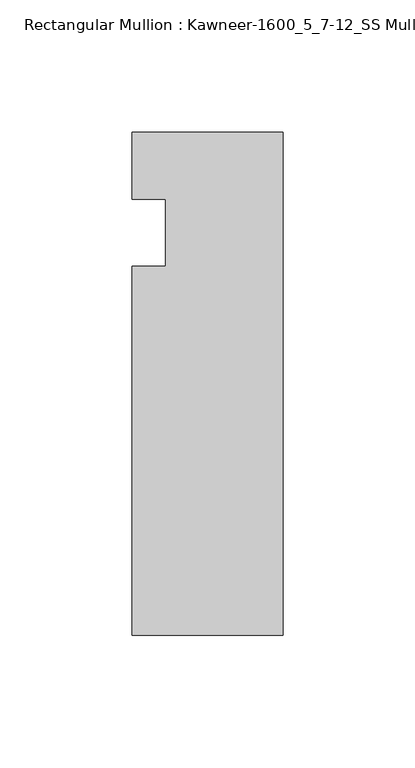
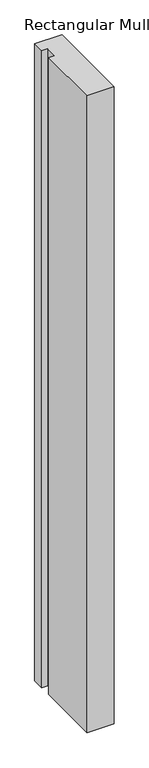
"""IFC4 building model written with IfcOpenShell, lengths in millimetres: member geometry, Rectangular Mullion : Kawneer-1600_5_7-12_SS Mullion_Head."""

import ifcopenshell
import ifcopenshell.guid

model = None  # the IFC model being written
_history = None  # IfcOwnerHistory: only IFC2X3 demands one
_inside = {}  # id of a spatial element -> (the spatial element, [elements in it])
_under = {}  # id of a project, library or spatial element -> (it, [spatial elements below it])
_declared = {}  # id of a project -> (the project, [libraries it declares])
_typed = {}  # id of a type object -> (the type object, [elements of that type])
_made_of = {}  # id of a material, layer set ... -> (it, [elements and type objects made of it])


def new_model(schema):
    """Start an empty IFC model of exactly this schema.

    Asked for "IFC4X3", IfcOpenShell would pick the latest addendum, in which some entities
    have other attributes; the version numbers below select the first issue.
    IFC2X3 requires an IfcOwnerHistory on every rooted entity: one is made here for all.
    """
    global model, _history
    if schema == "IFC4X3":
        model = ifcopenshell.file(schema_version=(4, 3, 0, 0))
    else:
        model = ifcopenshell.file(schema=schema)
    _inside.clear()
    _under.clear()
    _declared.clear()
    _typed.clear()
    _made_of.clear()
    _history = None
    if model.schema == "IFC2X3":
        org = make("IfcOrganization", Name="unknown")
        user = make(
            "IfcPersonAndOrganization",
            ThePerson=make("IfcPerson", FamilyName="unknown"),
            TheOrganization=org,
        )
        app = make(
            "IfcApplication",
            ApplicationDeveloper=org,
            Version="unknown",
            ApplicationFullName="unknown",
            ApplicationIdentifier="unknown",
        )
        _history = make(
            "IfcOwnerHistory",
            OwningUser=user,
            OwningApplication=app,
            ChangeAction="ADDED",
            CreationDate=0,
        )
    return model


def make(cls, **values):
    """One entity of the class cls with the attributes given. An attribute that is None is left unset."""
    return model.create_entity(
        cls, **{name: value for name, value in values.items() if value is not None}
    )


def rooted(cls, **values):
    """An entity with a GlobalId (a new one), such as an element, a storey or a relation."""
    return make(cls, GlobalId=ifcopenshell.guid.new(), OwnerHistory=_history, **values)


def si_unit(unit_type, name, prefix=None):
    """IfcSIUnit, for example si_unit("LENGTHUNIT", "METRE", prefix="MILLI")."""
    return make("IfcSIUnit", UnitType=unit_type, Prefix=prefix, Name=name)


def assignment(units):
    """IfcUnitAssignment: the units of a project."""
    return None if units is None else make("IfcUnitAssignment", Units=units)


def point(xyz):
    """IfcCartesianPoint."""
    return None if xyz is None else make("IfcCartesianPoint", Coordinates=xyz)


def direction(xyz):
    """IfcDirection."""
    return None if xyz is None else make("IfcDirection", DirectionRatios=xyz)


def frame(location, z_axis=None, x_axis=None):
    """IfcAxis2Placement3D, a coordinate frame: its origin and axes. An axis left out is left unset."""
    return make(
        "IfcAxis2Placement3D",
        Location=point(location),
        Axis=direction(z_axis),
        RefDirection=direction(x_axis),
    )


def origin():
    """The frame at (0, 0, 0) with its axes left unset."""
    return frame((0.0, 0.0, 0.0))


def place(relative_to, where):
    """IfcLocalPlacement: puts the frame where relative to a parent placement (None: the world)."""
    return make(
        "IfcLocalPlacement", PlacementRelTo=relative_to, RelativePlacement=where
    )


def context(
    kind, dimensions, precision=None, world=None, true_north=None, identifier=None
):
    """IfcGeometricRepresentationContext, for example the 3D "Model" context."""
    return make(
        "IfcGeometricRepresentationContext",
        ContextIdentifier=identifier,
        ContextType=kind,
        CoordinateSpaceDimension=dimensions,
        Precision=precision,
        WorldCoordinateSystem=world,
        TrueNorth=true_north,
    )


def project(units=None, contexts=None):
    """IfcProject with its units and contexts."""
    return rooted(
        "IfcProject",
        Name="project",
        RepresentationContexts=contexts,
        UnitsInContext=assignment(units),
    )


def spatial(cls, under=None, at=None, **own):
    """A site, building, storey or space (cls), placed at a placement, below another one or the project."""
    s = rooted(cls, ObjectPlacement=at, **own)
    if under is not None:
        _under.setdefault(under.id(), (under, []))[1].append(s)
    return s


def polyline(points):
    """IfcPolyline through the points."""
    return make("IfcPolyline", Points=[point(p) for p in points])


def outline(outer, holes=None, kind="AREA"):
    """IfcArbitraryClosedProfileDef: a profile drawn as a closed curve; with holes, ...WithVoids."""
    if holes is None:
        return make("IfcArbitraryClosedProfileDef", ProfileType=kind, OuterCurve=outer)
    return make(
        "IfcArbitraryProfileDefWithVoids",
        ProfileType=kind,
        OuterCurve=outer,
        InnerCurves=holes,
    )


def extrude(swept, where, along, depth):
    """IfcExtrudedAreaSolid: the profile swept, set in the frame where, extruded along a direction by depth."""
    return make(
        "IfcExtrudedAreaSolid",
        SweptArea=swept,
        Position=where,
        ExtrudedDirection=direction(along),
        Depth=depth,
    )


def shape(context_of_items, identifier, shape_type, items):
    """IfcShapeRepresentation: the items that make up one representation, for example the "Body"."""
    return make(
        "IfcShapeRepresentation",
        ContextOfItems=context_of_items,
        RepresentationIdentifier=identifier,
        RepresentationType=shape_type,
        Items=items,
    )


def source(mapping_origin, context_of_items, identifier, shape_type, items):
    """IfcRepresentationMap: a shape defined once, which mapped items show again and again."""
    return make(
        "IfcRepresentationMap",
        MappingOrigin=mapping_origin,
        MappedRepresentation=shape(context_of_items, identifier, shape_type, items),
    )


def transform(
    local_origin,
    x_axis=None,
    y_axis=None,
    z_axis=None,
    scale=None,
    scale2=None,
    scale3=None,
    uniform=True,
):
    """IfcCartesianTransformationOperator3D, or its non-uniform kind. x_axis, y_axis, z_axis: its Axis1, 2, 3."""
    if uniform:
        return make(
            "IfcCartesianTransformationOperator3D",
            Axis1=direction(x_axis),
            Axis2=direction(y_axis),
            LocalOrigin=point(local_origin),
            Scale=scale,
            Axis3=direction(z_axis),
        )
    return make(
        "IfcCartesianTransformationOperator3DnonUniform",
        Axis1=direction(x_axis),
        Axis2=direction(y_axis),
        LocalOrigin=point(local_origin),
        Scale=scale,
        Axis3=direction(z_axis),
        Scale2=scale2,
        Scale3=scale3,
    )


def mapped(mapping_source, mapping_target):
    """IfcMappedItem: shows the shape of a source again, moved by a transform."""
    return make(
        "IfcMappedItem", MappingSource=mapping_source, MappingTarget=mapping_target
    )


def made_of(thing, what):
    """Note that an element or type object is made of a material, layer set ...; save() writes the relation."""
    if what is not None:
        _made_of.setdefault(what.id(), (what, []))[1].append(thing)
    return thing


def element(
    cls,
    number,
    at=None,
    inside=None,
    cuts=None,
    type_object=None,
    material=None,
    context=None,
    identifier="Body",
    shape_type=None,
    held_by="IfcProductDefinitionShape",
    body=None,
    shapes=None,
    **own,
):
    """One element of the class cls, such as IfcWall. Its Tag is "e" and its number.

    at: its placement. inside: the storey or other place that contains it. cuts: it is an
    opening in that element (IfcRelVoidsElement). A single representation is given by context,
    identifier, shape_type and body (its items); several are given by shapes. held_by: the class
    of the entity that holds the representations. save() writes the other relations.
    """
    e = rooted(cls, Tag="e%d" % number, ObjectPlacement=at, **own)
    if body is not None:
        shapes = [shape(context, identifier, shape_type, body)]
    if shapes is not None:
        e.Representation = make(held_by, Representations=shapes)
    if inside is not None:
        _inside.setdefault(inside.id(), (inside, []))[1].append(e)
    if cuts is not None:
        rooted(
            "IfcRelVoidsElement", RelatingBuildingElement=cuts, RelatedOpeningElement=e
        )
    if type_object is not None:
        _typed.setdefault(type_object.id(), (type_object, []))[1].append(e)
    return made_of(e, material)


def aggregate(whole, parts):
    """IfcRelAggregates: a whole, such as a stair, and the parts it consists of."""
    return rooted("IfcRelAggregates", RelatingObject=whole, RelatedObjects=parts)


def save(model, path):
    """Write the relations noted so far, then the file.

    IfcRelAggregates (storeys below a building ...), IfcRelContainedInSpatialStructure (elements
    in a storey), IfcRelDefinesByType, IfcRelAssociatesMaterial and IfcRelDeclares: one each for
    every whole, place, type object, material and project.
    """
    for whole, parts in _under.values():
        aggregate(whole, parts)
    for where, things in _inside.values():
        rooted(
            "IfcRelContainedInSpatialStructure",
            RelatedElements=things,
            RelatingStructure=where,
        )
    for kind, things in _typed.values():
        rooted("IfcRelDefinesByType", RelatedObjects=things, RelatingType=kind)
    for what, things in _made_of.values():
        rooted("IfcRelAssociatesMaterial", RelatedObjects=things, RelatingMaterial=what)
    for by, libraries in _declared.values():
        rooted("IfcRelDeclares", RelatingContext=by, RelatedDefinitions=libraries)
    model.write(path)


def rectangular_mullion_kawneer_1600_5_7_12_ss_mullion_head_5df123e0(model_context):
    return source(origin(), model_context, "Body", "SweptSolid", [
        extrude(outline(polyline([(-57.15, -152.4), (-57.15, -12.7), (-44.4482296, -12.7), (-44.4482296, 12.7), (-57.15, 12.7), (-57.15, 38.1), (0.0, 38.1), (0.0, -152.4), (-57.15, -152.4)])), frame((0.0, 0.0, -1416.05), z_axis=(0.0, 0.0, 1.0), x_axis=(1.0, 0.0, 0.0)), (0.0, 0.0, 1.0), 1416.05),
    ])


if __name__ == "__main__":
    model = new_model("IFC4")
    model_context = context("Model", 3, world=origin())
    ifc_project = project(units=[si_unit("LENGTHUNIT", "METRE", prefix="MILLI")], contexts=[model_context])
    site = spatial("IfcSite", under=ifc_project)
    building = spatial("IfcBuilding", under=site)
    placement = place(None, origin())
    rectangular_mullion_kawneer_1600_5_7_12_ss_mullion_head_shape = rectangular_mullion_kawneer_1600_5_7_12_ss_mullion_head_5df123e0(model_context)
    element("IfcMember", 1, ObjectType="Rectangular Mullion : Kawneer-1600_5_7-12_SS Mullion_Head", at=placement, inside=building, context=model_context, shape_type="MappedRepresentation", body=[
        mapped(rectangular_mullion_kawneer_1600_5_7_12_ss_mullion_head_shape, transform((0.0, 0.0, 0.0), x_axis=(1.0, 0.0, 0.0), y_axis=(0.0, 1.0, 0.0), z_axis=(0.0, 0.0, 1.0))),
    ])
    save(model, "model.ifc")
